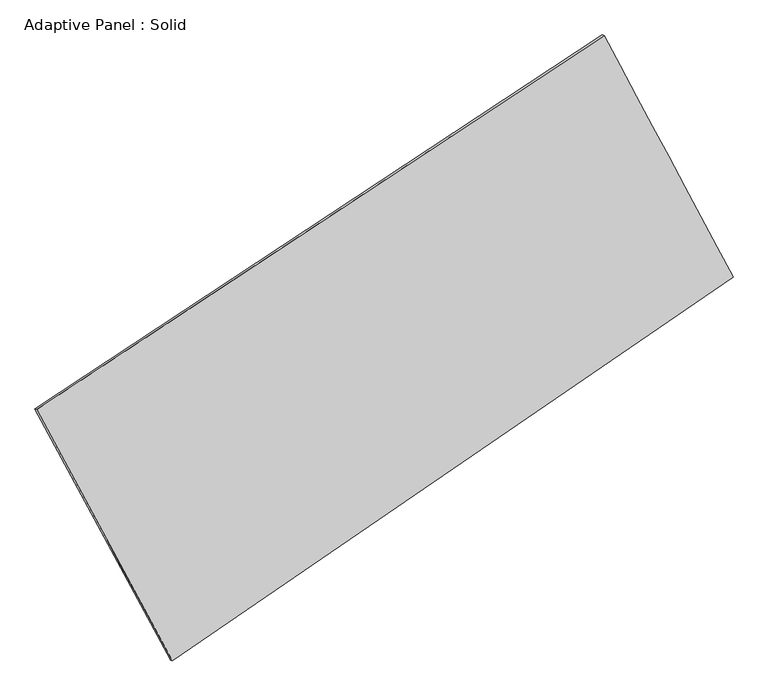
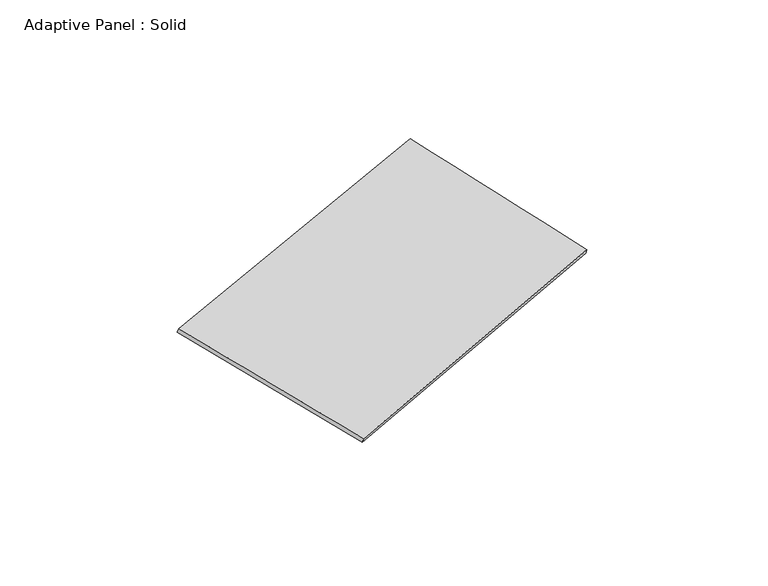
"""IFC4 building model written with IfcOpenShell, lengths in millimetres: plate geometry, Adaptive Panel : Solid."""

from ifc_helpers import new_model, si_unit, frame, origin, place, context, project, spatial, source, transform, mapped, element, save
from ifc_brep_helpers import plane_surface, spline_surface, advanced_brep


def adaptive_panel_solid_126c81b1(model_context):
    return source(origin(), model_context, "Body", "AdvancedBrep", [
        advanced_brep(
        [(1205.2127493, 2548.3631159, 671.8777265), (-3636.9244468, -646.0835279, 1704.3299944), (-3622.258091, -652.4636214, 1751.7029024), (1219.8791052, 2541.9830225, 719.2506346), (-2478.4132734, -2790.6621438, 1092.6072815), (-2463.7469176, -2797.0422372, 1139.9801895), (2306.8343928, 488.1339829, 16.3075179), (2321.5007486, 481.7538894, 63.6804259)],
        [
            (0, 1),
            (1, 2),
            (2, 3),
            (3, 0),
            (1, 4),
            (4, 5),
            (5, 2),
            (4, 6),
            (6, 7),
            (7, 5),
            (6, 0),
            (3, 7),
        ],
        [
            plane_surface(frame((-1215.8558487, 951.139794, 1188.1038604), z_axis=(-0.49132153765235703, 0.8300367877829151, 0.2638978544170895), x_axis=(-0.8218028140843093, -0.5421583765612058, 0.17522679443403535))),
            plane_surface(frame((-3057.6688601, -1718.3728358, 1398.4686379), z_axis=(-0.8396658798891109, -0.5082177924450533, 0.19150949217290142), x_axis=(0.46099258661512865, -0.8533666882279279, -0.24341555108248888))),
            plane_surface(frame((-85.7894403, -1151.2640804, 554.4573997), z_axis=(0.503278096414499, -0.8219975323151955, -0.2665168184883041), x_axis=(0.8110878142976229, 0.5557479506562407, -0.18243018620637733))),
            plane_surface(frame((1756.0235711, 1518.2485494, 344.0926222), z_axis=(0.8390062251053448, 0.5094448457118212, -0.1911400099721096), x_axis=(-0.4539967464386572, 0.8490549626175775, 0.2701714727308894))),
            spline_surface(1, 1, [[(-3622.258091, -652.4636214, 1751.7029024), (1219.8791052, 2541.9830225, 719.2506346)], [(-2463.7469176, -2797.0422372, 1139.9801895), (2321.5007486, 481.7538894, 63.6804259)]], [2, 2], [2, 2], [0.0, 1.0], [0.0, 1.0]),
            spline_surface(1, 1, [[(2306.8343928, 488.1339829, 16.3075179), (1205.2127493, 2548.3631159, 671.8777265)], [(-2478.4132734, -2790.6621438, 1092.6072815), (-3636.9244468, -646.0835279, 1704.3299944)]], [2, 2], [2, 2], [0.0, 1.0], [0.0, 1.0]),
        ],
        [
            (0, [[1, 2, 3, 4]]),
            (1, [[5, 6, 7, -2]]),
            (2, [[8, 9, 10, -6]]),
            (3, [[11, -4, 12, -9]]),
            (4, [[-3, -7, -10, -12]]),
            (5, [[-11, -8, -5, -1]]),
        ],
    ),
    ])


if __name__ == "__main__":
    model = new_model("IFC4")
    model_context = context("Model", 3, world=origin())
    ifc_project = project(units=[si_unit("LENGTHUNIT", "METRE", prefix="MILLI")], contexts=[model_context])
    site = spatial("IfcSite", under=ifc_project)
    building = spatial("IfcBuilding", under=site)
    placement = place(None, origin())
    adaptive_panel_solid_shape = adaptive_panel_solid_126c81b1(model_context)
    element("IfcPlate", 1, ObjectType="Adaptive Panel : Solid", at=placement, inside=building, context=model_context, shape_type="MappedRepresentation", body=[
        mapped(adaptive_panel_solid_shape, transform((0.0, 0.0, 0.0), x_axis=(1.0, 0.0, 0.0), y_axis=(0.0, 1.0, 0.0), z_axis=(0.0, 0.0, 1.0))),
    ])
    save(model, "model.ifc")
